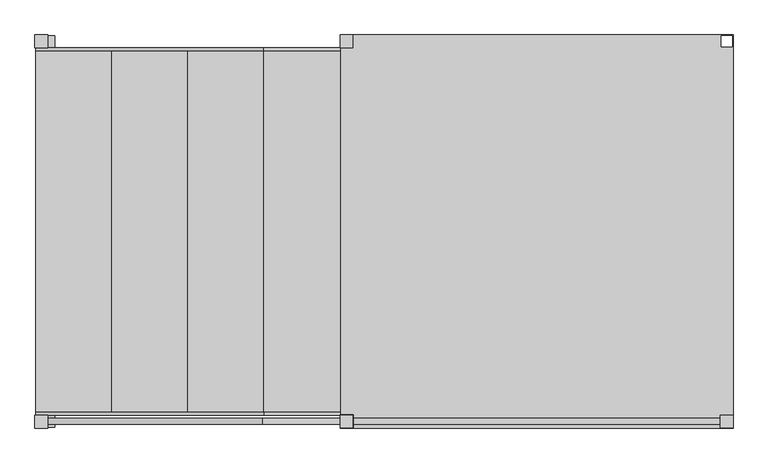
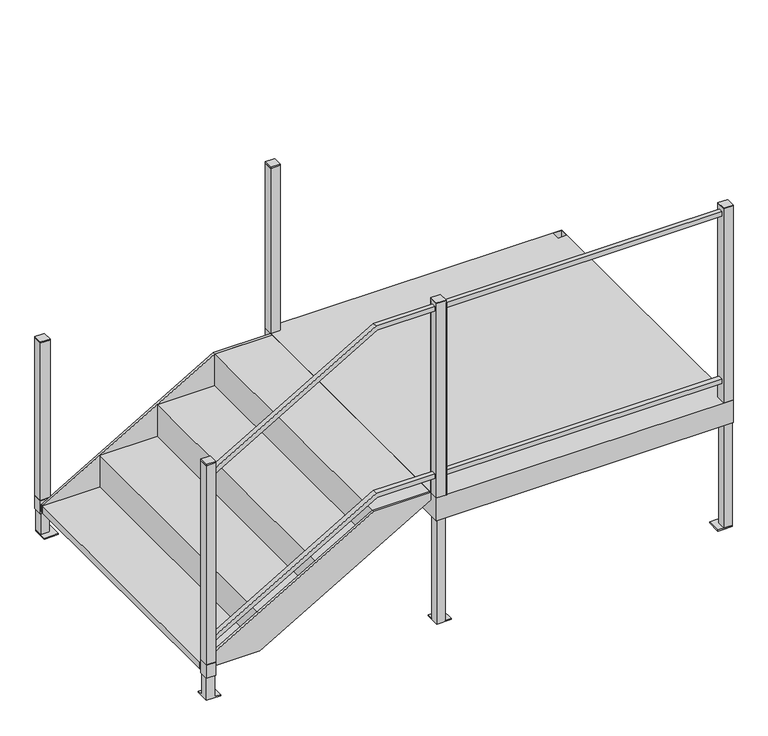
"""IFC4 building model written with IfcOpenShell, lengths in millimetres: proxy geometry."""

from ifc_helpers import new_model, si_unit, frame, origin, origin_with_axes, place, context, project, spatial, polyline, outline, extrude, faceted_brep, source, transform, mapped, element, save


def specialty_equipment_ac24c5df(model_context):
    return source(origin(), model_context, "Body", "SolidModel", [
        extrude(outline(polyline([(-2009.775, 787.4), (-1958.975, 787.4), (-1958.975, 736.6), (-2009.775, 736.6), (-2009.775, 787.4)]), holes=[polyline([(-2006.6, 784.225), (-2006.6, 739.775), (-1962.15, 739.775), (-1962.15, 784.225), (-2006.6, 784.225)])]), frame((0.0, 0.0, 127.0), z_axis=(0.0, 0.0, 1.0), x_axis=(1.0, 0.0, 0.0)), (0.0, 0.0, 1.0), 73.025),
        extrude(outline(polyline([(-1958.975, 787.4), (-1958.975, 736.6), (-2009.775, 736.6), (-2009.775, 787.4), (-1958.975, 787.4)])), frame((0.0, 0.0, 1084.9864455), z_axis=(0.0, 0.0, 1.0), x_axis=(1.0, 0.0, 0.0)), (0.0, 0.0, 1.0), 6.35),
        extrude(outline(polyline([(-2009.775, 787.4), (-1958.975, 787.4), (-1958.975, 736.6), (-2009.775, 736.6), (-2009.775, 787.4)]), holes=[polyline([(-2006.6, 784.225), (-2006.6, 739.775), (-1962.15, 739.775), (-1962.15, 784.225), (-2006.6, 784.225)])]), frame((0.0, 0.0, 203.2), z_axis=(0.0, 0.0, 1.0), x_axis=(1.0, 0.0, 0.0)), (0.0, 0.0, 1.0), 881.7864455),
        extrude(outline(polyline([(-736.6, 787.4), (-736.6, 736.6), (-787.4, 736.6), (-787.4, 787.4), (-736.6, 787.4)])), frame((0.0, 0.0, 1638.3), z_axis=(0.0, 0.0, 1.0), x_axis=(1.0, 0.0, 0.0)), (0.0, 0.0, 1.0), 6.35),
        extrude(outline(polyline([(-787.4, 787.4), (-736.6, 787.4), (-736.6, 736.6), (-787.4, 736.6), (-787.4, 787.4)]), holes=[polyline([(-784.225, 784.225), (-784.225, 739.775), (-739.775, 739.775), (-739.775, 784.225), (-784.225, 784.225)])]), frame((0.0, 0.0, 711.2), z_axis=(0.0, 0.0, 1.0), x_axis=(1.0, 0.0, 0.0)), (0.0, 0.0, 1.0), 927.1),
        extrude(outline(polyline([(-1930.4, 784.225), (-1930.4, 708.025), (-2006.6, 708.025), (-2006.6, 784.225), (-1930.4, 784.225)])), origin_with_axes(), (0.0, 0.0, 1.0), 6.35),
        extrude(outline(polyline([(-1962.15, 739.775), (-2006.6, 739.775), (-2006.6, 784.225), (-1962.15, 784.225), (-1962.15, 739.775)])), origin_with_axes(), (0.0, 0.0, 1.0), 787.4),
        extrude(outline(polyline([(-2009.775, -787.4), (-2009.775, -736.6), (-1958.975, -736.6), (-1958.975, -787.4), (-2009.775, -787.4)]), holes=[polyline([(-2006.6, -784.225), (-1962.15, -784.225), (-1962.15, -739.775), (-2006.6, -739.775), (-2006.6, -784.225)])]), frame((0.0, 0.0, 127.0), z_axis=(0.0, 0.0, 1.0), x_axis=(1.0, 0.0, 0.0)), (0.0, 0.0, 1.0), 73.025),
        extrude(outline(polyline([(1752.6, -1092.2), (1752.6, -787.4), (1778.0, -787.4), (1778.0, -1099.0668682), (1276.3869231, -1958.975), (1246.98125, -1958.975), (1752.6, -1092.2)])), frame((0.0, -773.1125, 0.0), z_axis=(0.0, 1.0, 0.0), x_axis=(0.0, 0.0, 1.0)), (0.0, 0.0, 1.0), 25.4),
        extrude(outline(polyline([(812.8, -1092.2), (812.8, -787.4), (838.2, -787.4), (838.2, -1099.0668682), (336.5869231, -1958.975), (307.18125, -1958.975), (812.8, -1092.2)])), frame((0.0, -773.1125, 0.0), z_axis=(0.0, 1.0, 0.0), x_axis=(0.0, 0.0, 1.0)), (0.0, 0.0, 1.0), 25.4),
        extrude(outline(polyline([(-1958.975, -787.4), (-2009.775, -787.4), (-2009.775, -736.6), (-1958.975, -736.6), (-1958.975, -787.4)])), frame((0.0, 0.0, 1320.8), z_axis=(0.0, 0.0, 1.0), x_axis=(1.0, 0.0, 0.0)), (0.0, 0.0, 1.0), 6.35),
        extrude(outline(polyline([(-2009.775, -787.4), (-2009.775, -736.6), (-1958.975, -736.6), (-1958.975, -787.4), (-2009.775, -787.4)]), holes=[polyline([(-2006.6, -784.225), (-1962.15, -784.225), (-1962.15, -739.775), (-2006.6, -739.775), (-2006.6, -784.225)])]), frame((0.0, 0.0, 203.2), z_axis=(0.0, 0.0, 1.0), x_axis=(1.0, 0.0, 0.0)), (0.0, 0.0, 1.0), 1117.6),
        extrude(outline(polyline([(-736.6, -787.4), (-787.4, -787.4), (-787.4, -736.6), (-736.6, -736.6), (-736.6, -787.4)])), frame((0.0, 0.0, 1803.4), z_axis=(0.0, 0.0, 1.0), x_axis=(1.0, 0.0, 0.0)), (0.0, 0.0, 1.0), 3.175),
        extrude(outline(polyline([(-787.4, -787.4), (-787.4, -736.6), (-736.6, -736.6), (-736.6, -787.4), (-787.4, -787.4)]), holes=[polyline([(-784.225, -784.225), (-739.775, -784.225), (-739.775, -739.775), (-784.225, -739.775), (-784.225, -784.225)])]), frame((0.0, 0.0, 711.2), z_axis=(0.0, 0.0, 1.0), x_axis=(1.0, 0.0, 0.0)), (0.0, 0.0, 1.0), 1092.2),
        extrude(outline(polyline([(787.4, -787.4), (736.6, -787.4), (736.6, -736.6), (787.4, -736.6), (787.4, -787.4)])), frame((0.0, 0.0, 1803.4), z_axis=(0.0, 0.0, 1.0), x_axis=(1.0, 0.0, 0.0)), (0.0, 0.0, 1.0), 3.175),
        extrude(outline(polyline([(736.6, -747.7125), (736.6, -773.1125), (-733.425, -773.1125), (-733.425, -747.7125), (736.6, -747.7125)])), frame((0.0, 0.0, 812.8), z_axis=(0.0, 0.0, 1.0), x_axis=(1.0, 0.0, 0.0)), (0.0, 0.0, 1.0), 25.4),
        extrude(outline(polyline([(736.6, -747.7125), (736.6, -773.1125), (-733.425, -773.1125), (-733.425, -747.7125), (736.6, -747.7125)])), frame((0.0, 0.0, 1752.6), z_axis=(0.0, 0.0, 1.0), x_axis=(1.0, 0.0, 0.0)), (0.0, 0.0, 1.0), 25.4),
        extrude(outline(polyline([(-787.4, -733.425), (-736.6, -733.425), (-733.425, -733.425), (-733.425, -787.4), (-736.6, -787.4), (-736.6, -736.6), (-787.4, -736.6), (-787.4, -733.425)])), frame((0.0, 0.0, 711.2), z_axis=(0.0, 0.0, 1.0), x_axis=(1.0, 0.0, 0.0)), (0.0, 0.0, 1.0), 1079.5),
        extrude(outline(polyline([(736.6, -787.4), (736.6, -736.6), (787.4, -736.6), (787.4, -787.4), (736.6, -787.4)]), holes=[polyline([(739.775, -784.225), (784.225, -784.225), (784.225, -739.775), (739.775, -739.775), (739.775, -784.225)])]), frame((0.0, 0.0, 711.2), z_axis=(0.0, 0.0, 1.0), x_axis=(1.0, 0.0, 0.0)), (0.0, 0.0, 1.0), 1092.2),
        extrude(outline(polyline([(708.025, -784.225), (708.025, -708.025), (784.225, -708.025), (784.225, -784.225), (708.025, -784.225)])), origin_with_axes(), (0.0, 0.0, 1.0), 6.35),
        extrude(outline(polyline([(739.775, -739.775), (784.225, -739.775), (784.225, -784.225), (739.775, -784.225), (739.775, -739.775)])), origin_with_axes(), (0.0, 0.0, 1.0), 1320.8),
        faceted_brep([(-1962.15, -739.775, 787.4), (-2006.6, -739.775, 787.4), (-2006.6, -784.225, 787.4), (-1962.15, -784.225, 787.4), (-2006.6, -708.025, 0.0), (-1930.4, -708.025, 0.0), (-1930.4, -784.225, 0.0), (-2006.6, -784.225, 0.0), (-1962.15, -739.775, 6.35), (-2006.6, -739.775, 6.35), (-2006.6, -708.025, 6.35), (-1930.4, -784.225, 6.35), (-1962.15, -784.225, 6.35), (-1930.4, -708.025, 6.35)], [[[0, 1, 2, 3]], [[4, 5, 6, 7]], [[1, 0, 8, 9]], [[2, 1, 9, 10, 4, 7]], [[3, 2, 7, 6, 11, 12]], [[0, 3, 12, 8]], [[11, 13, 10, 9, 8, 12]], [[13, 11, 6, 5]], [[10, 13, 5, 4]]]),
        faceted_brep([(-739.775, -739.775, 1320.8), (-784.225, -739.775, 1320.8), (-784.225, -784.225, 1320.8), (-739.775, -784.225, 1320.8), (-784.225, -708.025, 0.0), (-708.025, -708.025, 0.0), (-708.025, -784.225, 0.0), (-784.225, -784.225, 0.0), (-739.775, -739.775, 6.35), (-784.225, -739.775, 6.35), (-784.225, -708.025, 6.35), (-708.025, -784.225, 6.35), (-739.775, -784.225, 6.35), (-708.025, -708.025, 6.35)], [[[0, 1, 2, 3]], [[4, 5, 6, 7]], [[1, 0, 8, 9]], [[2, 1, 9, 10, 4, 7]], [[3, 2, 7, 6, 11, 12]], [[0, 3, 12, 8]], [[11, 13, 10, 9, 8, 12]], [[13, 11, 6, 5]], [[10, 13, 5, 4]]]),
        extrude(outline(polyline([(711.2, -1092.2), (177.8, -2006.6), (139.7, -2006.6), (139.7, -1695.45), (669.3958333, -787.4), (711.2, -787.4), (711.2, -1092.2)])), frame((0.0, 723.9, 0.0), z_axis=(0.0, 1.0, 0.0), x_axis=(0.0, 0.0, 1.0)), (0.0, 0.0, 1.0), 12.7),
        extrude(outline(polyline([(711.2, -1092.2), (177.8, -2006.6), (139.7, -2006.6), (139.7, -1695.45), (669.3958333, -787.4), (711.2, -787.4), (711.2, -1092.2)])), frame((0.0, -736.6, 0.0), z_axis=(0.0, 1.0, 0.0), x_axis=(0.0, 0.0, 1.0)), (0.0, 0.0, 1.0), 12.7),
        extrude(outline(polyline([(711.2, -1092.2), (533.4, -1092.2), (533.4, -1397.0), (355.6, -1397.0), (355.6, -1701.8), (177.8, -1701.8), (177.8, -2006.6), (139.7, -2006.6), (139.7, -1695.45), (317.5, -1695.45), (317.5, -1390.65), (495.3, -1390.65), (495.3, -1085.85), (673.1, -1085.85), (673.1, -787.4), (711.2, -787.4), (711.2, -1092.2)])), frame((0.0, -723.9, 0.0), z_axis=(0.0, 1.0, 0.0), x_axis=(0.0, 0.0, 1.0)), (0.0, 0.0, 1.0), 1447.8),
        faceted_brep([(787.4, 787.4, 711.2), (-787.4, 787.4, 711.2), (-787.4, -787.4, 711.2), (787.4, -787.4, 711.2), (-739.775, 739.775, 711.2), (-784.225, 739.775, 711.2), (-784.225, 784.225, 711.2), (-739.775, 784.225, 711.2), (784.225, 739.775, 711.2), (739.775, 739.775, 711.2), (739.775, 784.225, 711.2), (784.225, 784.225, 711.2), (739.775, -784.225, 711.2), (739.775, -739.775, 711.2), (784.225, -739.775, 711.2), (784.225, -784.225, 711.2), (-784.225, -784.225, 711.2), (-784.225, -739.775, 711.2), (-739.775, -739.775, 711.2), (-739.775, -784.225, 711.2), (-736.6, 736.6, 704.85), (736.6, 736.6, 704.85), (736.6, -736.6, 704.85), (-736.6, -736.6, 704.85), (787.4, 787.4, 584.2), (-787.4, 787.4, 584.2), (-787.4, -787.4, 584.2), (787.4, -787.4, 584.2), (-739.775, 739.775, 584.2), (-784.225, 739.775, 584.2), (-784.225, 784.225, 584.2), (-739.775, 784.225, 584.2), (784.225, 739.775, 584.2), (739.775, 739.775, 584.2), (739.775, 784.225, 584.2), (784.225, 784.225, 584.2), (739.775, -784.225, 584.2), (739.775, -739.775, 584.2), (784.225, -739.775, 584.2), (784.225, -784.225, 584.2), (-784.225, -784.225, 584.2), (-784.225, -739.775, 584.2), (-739.775, -739.775, 584.2), (-739.775, -784.225, 584.2), (-736.6, 736.6, 584.2), (-736.6, -736.6, 584.2), (736.6, -736.6, 584.2), (736.6, 736.6, 584.2)], [[[0, 1, 2, 3], [4, 5, 6, 7], [8, 9, 10, 11], [12, 13, 14, 15], [16, 17, 18, 19]], [[20, 21, 22, 23]], [[1, 0, 24, 25]], [[2, 1, 25, 26]], [[3, 2, 26, 27]], [[24, 0, 3, 27]], [[5, 4, 28, 29]], [[6, 5, 29, 30]], [[7, 6, 30, 31]], [[28, 4, 7, 31]], [[9, 8, 32, 33]], [[10, 9, 33, 34]], [[11, 10, 34, 35]], [[32, 8, 11, 35]], [[13, 12, 36, 37]], [[14, 13, 37, 38]], [[15, 14, 38, 39]], [[36, 12, 15, 39]], [[17, 16, 40, 41]], [[18, 17, 41, 42]], [[19, 18, 42, 43]], [[40, 16, 19, 43]], [[24, 27, 26, 25], [44, 45, 46, 47], [30, 29, 28, 31], [35, 34, 33, 32], [40, 43, 42, 41], [39, 38, 37, 36]], [[44, 47, 21, 20]], [[47, 46, 22, 21]], [[46, 45, 23, 22]], [[45, 44, 20, 23]]]),
    ])


if __name__ == "__main__":
    model = new_model("IFC4")
    model_context = context("Model", 3, world=origin())
    ifc_project = project(units=[si_unit("LENGTHUNIT", "METRE", prefix="MILLI")], contexts=[model_context])
    site = spatial("IfcSite", under=ifc_project)
    building = spatial("IfcBuilding", under=site)
    placement = place(None, origin())
    specialty_equipment_shape = specialty_equipment_ac24c5df(model_context)
    element("IfcBuildingElementProxy", 1, Name="Specialty Equipment", at=placement, inside=building, context=model_context, shape_type="MappedRepresentation", body=[
        mapped(specialty_equipment_shape, transform((0.0, 0.0, 0.0), x_axis=(1.0, 0.0, 0.0), y_axis=(0.0, 1.0, 0.0), z_axis=(0.0, 0.0, 1.0))),
    ])
    save(model, "model.ifc")
